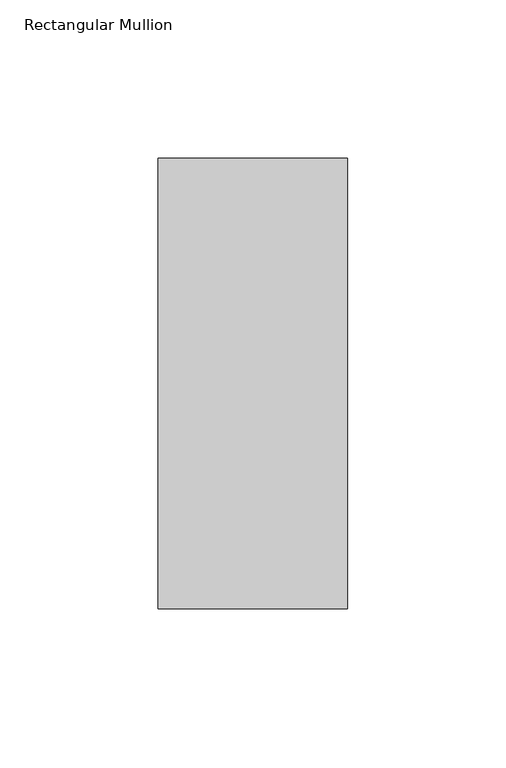
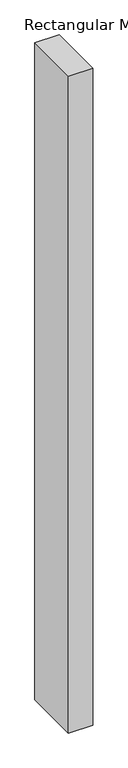
"""IFC4 building model written with IfcOpenShell, lengths in millimetres: member geometry, Rectangular Mullion."""

from ifc_helpers import new_model, si_unit, frame, origin, place, context, project, spatial, polyline, outline, extrude, source, transform, mapped, element, save


def rectangular_mullion_cb9f5a55(model_context):
    return source(origin(), model_context, "Body", "SweptSolid", [
        extrude(outline(polyline([(30.0, 106.73125), (30.0, -35.73125), (-30.0, -35.73125), (-30.0, 106.73125), (30.0, 106.73125)])), frame((0.0, 0.0, -1708.8912252), z_axis=(0.0, 0.0, 1.0), x_axis=(1.0, 0.0, 0.0)), (0.0, 0.0, 1.0), 1708.8912252),
    ])


if __name__ == "__main__":
    model = new_model("IFC4")
    model_context = context("Model", 3, world=origin())
    ifc_project = project(units=[si_unit("LENGTHUNIT", "METRE", prefix="MILLI")], contexts=[model_context])
    site = spatial("IfcSite", under=ifc_project)
    building = spatial("IfcBuilding", under=site)
    placement = place(None, origin())
    rectangular_mullion_shape = rectangular_mullion_cb9f5a55(model_context)
    element("IfcMember", 1, ObjectType="Rectangular Mullion", at=placement, inside=building, context=model_context, shape_type="MappedRepresentation", body=[
        mapped(rectangular_mullion_shape, transform((0.0, 0.0, 0.0), x_axis=(1.0, 0.0, 0.0), y_axis=(0.0, 1.0, 0.0), z_axis=(0.0, 0.0, 1.0))),
    ])
    save(model, "model.ifc")
